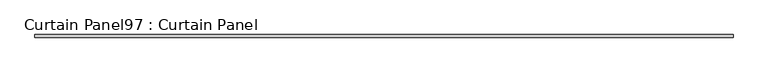
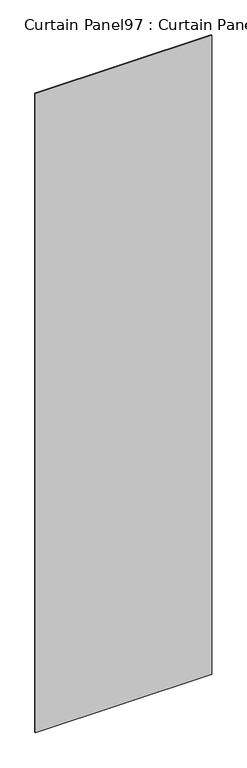
"""IFC4 building model written with IfcOpenShell, lengths in millimetres: plate geometry, Curtain Panel97 : Curtain Panel."""

from ifc_helpers import new_model, si_unit, frame, origin, place, context, project, spatial, polyline, outline, extrude, source, transform, mapped, element, save


def curtain_panel97_curtain_panel_093a8790(model_context):
    return source(origin(), model_context, "Body", "SweptSolid", [
        extrude(outline(polyline([(216394.9386393, 2427.1484836), (214802.2871091, 2427.1484836), (214802.2871091, 2433.4984836), (216394.9386393, 2433.4984836), (216394.9386393, 2427.1484836)])), frame((0.0, 0.0, 4914.2249337), z_axis=(0.0, 0.0, 1.0), x_axis=(1.0, 0.0, 0.0)), (0.0, 0.0, 1.0), 6096.0),
    ])


if __name__ == "__main__":
    model = new_model("IFC4")
    model_context = context("Model", 3, world=origin())
    ifc_project = project(units=[si_unit("LENGTHUNIT", "METRE", prefix="MILLI")], contexts=[model_context])
    site = spatial("IfcSite", under=ifc_project)
    building = spatial("IfcBuilding", under=site)
    placement = place(None, origin())
    curtain_panel97_curtain_panel_shape = curtain_panel97_curtain_panel_093a8790(model_context)
    element("IfcPlate", 1, ObjectType="Curtain Panel97 : Curtain Panel", at=placement, inside=building, context=model_context, shape_type="MappedRepresentation", body=[
        mapped(curtain_panel97_curtain_panel_shape, transform((0.0, 0.0, 0.0), x_axis=(1.0, 0.0, 0.0), y_axis=(0.0, 1.0, 0.0), z_axis=(0.0, 0.0, 1.0))),
    ])
    save(model, "model.ifc")
